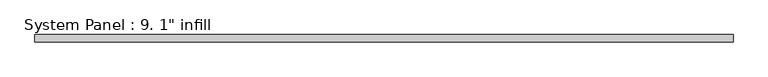
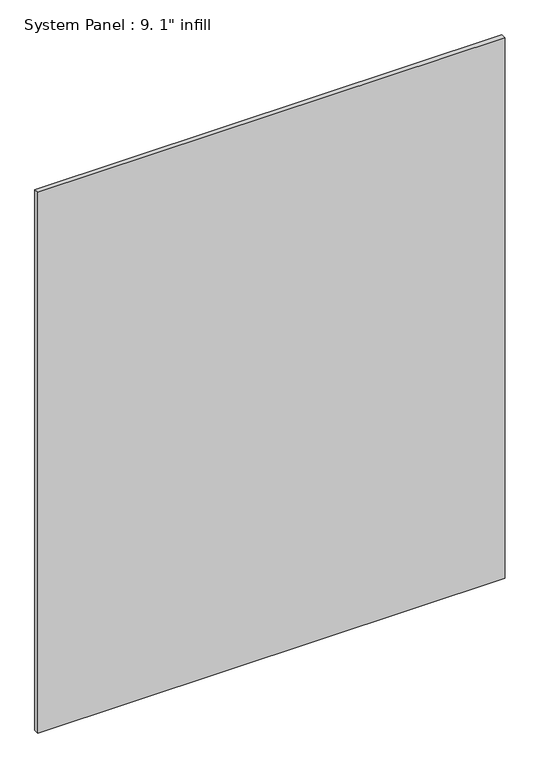
"""IFC4 building model written with IfcOpenShell, lengths in millimetres: plate geometry."""

from ifc_helpers import new_model, si_unit, origin, origin_with_axes, place, context, project, spatial, polyline, outline, extrude, source, transform, mapped, element, save


def plate_34f91eba(model_context):
    return source(origin(), model_context, "Body", "SweptSolid", [
        extrude(outline(polyline([(1219.2, -12.7), (-1219.2, -12.7), (-1219.2, 12.7), (1219.2, 12.7), (1219.2, -12.7)])), origin_with_axes(), (0.0, 0.0, 1.0), 2981.325),
    ])


if __name__ == "__main__":
    model = new_model("IFC4")
    model_context = context("Model", 3, world=origin())
    ifc_project = project(units=[si_unit("LENGTHUNIT", "METRE", prefix="MILLI")], contexts=[model_context])
    site = spatial("IfcSite", under=ifc_project)
    building = spatial("IfcBuilding", under=site)
    placement = place(None, origin())
    plate_shape = plate_34f91eba(model_context)
    element("IfcPlate", 1, ObjectType="System Panel : 9. 1\" infill", at=placement, inside=building, context=model_context, shape_type="MappedRepresentation", body=[
        mapped(plate_shape, transform((0.0, 0.0, 0.0), x_axis=(1.0, 0.0, 0.0), y_axis=(0.0, 1.0, 0.0), z_axis=(0.0, 0.0, 1.0))),
    ])
    save(model, "model.ifc")
